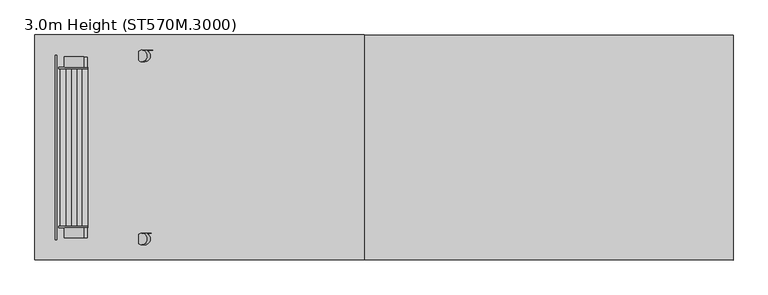
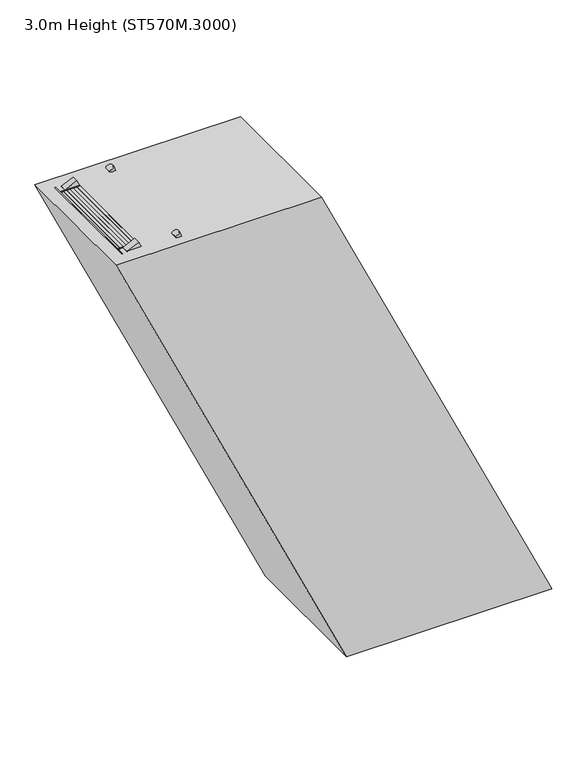
"""IFC4 building model written with IfcOpenShell, lengths in millimetres: proxy geometry, 3.0m Height (ST570M.3000)."""

import ifcopenshell
import ifcopenshell.guid

model = None  # the IFC model being written
_history = None  # IfcOwnerHistory: only IFC2X3 demands one
_inside = {}  # id of a spatial element -> (the spatial element, [elements in it])
_under = {}  # id of a project, library or spatial element -> (it, [spatial elements below it])
_declared = {}  # id of a project -> (the project, [libraries it declares])
_typed = {}  # id of a type object -> (the type object, [elements of that type])
_made_of = {}  # id of a material, layer set ... -> (it, [elements and type objects made of it])


def new_model(schema):
    """Start an empty IFC model of exactly this schema.

    Asked for "IFC4X3", IfcOpenShell would pick the latest addendum, in which some entities
    have other attributes; the version numbers below select the first issue.
    IFC2X3 requires an IfcOwnerHistory on every rooted entity: one is made here for all.
    """
    global model, _history
    if schema == "IFC4X3":
        model = ifcopenshell.file(schema_version=(4, 3, 0, 0))
    else:
        model = ifcopenshell.file(schema=schema)
    _inside.clear()
    _under.clear()
    _declared.clear()
    _typed.clear()
    _made_of.clear()
    _history = None
    if model.schema == "IFC2X3":
        org = make("IfcOrganization", Name="unknown")
        user = make(
            "IfcPersonAndOrganization",
            ThePerson=make("IfcPerson", FamilyName="unknown"),
            TheOrganization=org,
        )
        app = make(
            "IfcApplication",
            ApplicationDeveloper=org,
            Version="unknown",
            ApplicationFullName="unknown",
            ApplicationIdentifier="unknown",
        )
        _history = make(
            "IfcOwnerHistory",
            OwningUser=user,
            OwningApplication=app,
            ChangeAction="ADDED",
            CreationDate=0,
        )
    return model


def make(cls, **values):
    """One entity of the class cls with the attributes given. An attribute that is None is left unset."""
    return model.create_entity(
        cls, **{name: value for name, value in values.items() if value is not None}
    )


def rooted(cls, **values):
    """An entity with a GlobalId (a new one), such as an element, a storey or a relation."""
    return make(cls, GlobalId=ifcopenshell.guid.new(), OwnerHistory=_history, **values)


def si_unit(unit_type, name, prefix=None):
    """IfcSIUnit, for example si_unit("LENGTHUNIT", "METRE", prefix="MILLI")."""
    return make("IfcSIUnit", UnitType=unit_type, Prefix=prefix, Name=name)


def assignment(units):
    """IfcUnitAssignment: the units of a project."""
    return None if units is None else make("IfcUnitAssignment", Units=units)


def point(xyz):
    """IfcCartesianPoint."""
    return None if xyz is None else make("IfcCartesianPoint", Coordinates=xyz)


def direction(xyz):
    """IfcDirection."""
    return None if xyz is None else make("IfcDirection", DirectionRatios=xyz)


def frame(location, z_axis=None, x_axis=None):
    """IfcAxis2Placement3D, a coordinate frame: its origin and axes. An axis left out is left unset."""
    return make(
        "IfcAxis2Placement3D",
        Location=point(location),
        Axis=direction(z_axis),
        RefDirection=direction(x_axis),
    )


def frame_2d(location, x_axis=None):
    """IfcAxis2Placement2D, a coordinate frame in the plane: its origin and x axis."""
    return make(
        "IfcAxis2Placement2D", Location=point(location), RefDirection=direction(x_axis)
    )


def origin():
    """The frame at (0, 0, 0) with its axes left unset."""
    return frame((0.0, 0.0, 0.0))


def origin_with_axes():
    """The frame at (0, 0, 0) with the z axis (0, 0, 1) and the x axis (1, 0, 0) written out."""
    return frame((0.0, 0.0, 0.0), z_axis=(0.0, 0.0, 1.0), x_axis=(1.0, 0.0, 0.0))


def place(relative_to, where):
    """IfcLocalPlacement: puts the frame where relative to a parent placement (None: the world)."""
    return make(
        "IfcLocalPlacement", PlacementRelTo=relative_to, RelativePlacement=where
    )


def context(
    kind, dimensions, precision=None, world=None, true_north=None, identifier=None
):
    """IfcGeometricRepresentationContext, for example the 3D "Model" context."""
    return make(
        "IfcGeometricRepresentationContext",
        ContextIdentifier=identifier,
        ContextType=kind,
        CoordinateSpaceDimension=dimensions,
        Precision=precision,
        WorldCoordinateSystem=world,
        TrueNorth=true_north,
    )


def project(units=None, contexts=None):
    """IfcProject with its units and contexts."""
    return rooted(
        "IfcProject",
        Name="project",
        RepresentationContexts=contexts,
        UnitsInContext=assignment(units),
    )


def spatial(cls, under=None, at=None, **own):
    """A site, building, storey or space (cls), placed at a placement, below another one or the project."""
    s = rooted(cls, ObjectPlacement=at, **own)
    if under is not None:
        _under.setdefault(under.id(), (under, []))[1].append(s)
    return s


def polyline(points):
    """IfcPolyline through the points."""
    return make("IfcPolyline", Points=[point(p) for p in points])


def circle_curve(where, radius):
    """IfcCircle in the frame where."""
    return make("IfcCircle", Position=where, Radius=radius)


def trimmed(basis, trim1, trim2, sense, master):
    """IfcTrimmedCurve: the piece of a basis curve between two trims."""
    return make(
        "IfcTrimmedCurve",
        BasisCurve=basis,
        Trim1=trim1,
        Trim2=trim2,
        SenseAgreement=sense,
        MasterRepresentation=master,
    )


def segment(curve, same_sense, transition):
    """IfcCompositeCurveSegment."""
    return make(
        "IfcCompositeCurveSegment",
        Transition=transition,
        SameSense=same_sense,
        ParentCurve=curve,
    )


def composite_curve(segments, self_intersect=None):
    """IfcCompositeCurve: segments joined end to end."""
    return make("IfcCompositeCurve", Segments=segments, SelfIntersect=self_intersect)


def outline(outer, holes=None, kind="AREA"):
    """IfcArbitraryClosedProfileDef: a profile drawn as a closed curve; with holes, ...WithVoids."""
    if holes is None:
        return make("IfcArbitraryClosedProfileDef", ProfileType=kind, OuterCurve=outer)
    return make(
        "IfcArbitraryProfileDefWithVoids",
        ProfileType=kind,
        OuterCurve=outer,
        InnerCurves=holes,
    )


def extrude(swept, where, along, depth):
    """IfcExtrudedAreaSolid: the profile swept, set in the frame where, extruded along a direction by depth."""
    return make(
        "IfcExtrudedAreaSolid",
        SweptArea=swept,
        Position=where,
        ExtrudedDirection=direction(along),
        Depth=depth,
    )


def shape(context_of_items, identifier, shape_type, items):
    """IfcShapeRepresentation: the items that make up one representation, for example the "Body"."""
    return make(
        "IfcShapeRepresentation",
        ContextOfItems=context_of_items,
        RepresentationIdentifier=identifier,
        RepresentationType=shape_type,
        Items=items,
    )


def source(mapping_origin, context_of_items, identifier, shape_type, items):
    """IfcRepresentationMap: a shape defined once, which mapped items show again and again."""
    return make(
        "IfcRepresentationMap",
        MappingOrigin=mapping_origin,
        MappedRepresentation=shape(context_of_items, identifier, shape_type, items),
    )


def transform(
    local_origin,
    x_axis=None,
    y_axis=None,
    z_axis=None,
    scale=None,
    scale2=None,
    scale3=None,
    uniform=True,
):
    """IfcCartesianTransformationOperator3D, or its non-uniform kind. x_axis, y_axis, z_axis: its Axis1, 2, 3."""
    if uniform:
        return make(
            "IfcCartesianTransformationOperator3D",
            Axis1=direction(x_axis),
            Axis2=direction(y_axis),
            LocalOrigin=point(local_origin),
            Scale=scale,
            Axis3=direction(z_axis),
        )
    return make(
        "IfcCartesianTransformationOperator3DnonUniform",
        Axis1=direction(x_axis),
        Axis2=direction(y_axis),
        LocalOrigin=point(local_origin),
        Scale=scale,
        Axis3=direction(z_axis),
        Scale2=scale2,
        Scale3=scale3,
    )


def mapped(mapping_source, mapping_target):
    """IfcMappedItem: shows the shape of a source again, moved by a transform."""
    return make(
        "IfcMappedItem", MappingSource=mapping_source, MappingTarget=mapping_target
    )


def made_of(thing, what):
    """Note that an element or type object is made of a material, layer set ...; save() writes the relation."""
    if what is not None:
        _made_of.setdefault(what.id(), (what, []))[1].append(thing)
    return thing


def element(
    cls,
    number,
    at=None,
    inside=None,
    cuts=None,
    type_object=None,
    material=None,
    context=None,
    identifier="Body",
    shape_type=None,
    held_by="IfcProductDefinitionShape",
    body=None,
    shapes=None,
    **own,
):
    """One element of the class cls, such as IfcWall. Its Tag is "e" and its number.

    at: its placement. inside: the storey or other place that contains it. cuts: it is an
    opening in that element (IfcRelVoidsElement). A single representation is given by context,
    identifier, shape_type and body (its items); several are given by shapes. held_by: the class
    of the entity that holds the representations. save() writes the other relations.
    """
    e = rooted(cls, Tag="e%d" % number, ObjectPlacement=at, **own)
    if body is not None:
        shapes = [shape(context, identifier, shape_type, body)]
    if shapes is not None:
        e.Representation = make(held_by, Representations=shapes)
    if inside is not None:
        _inside.setdefault(inside.id(), (inside, []))[1].append(e)
    if cuts is not None:
        rooted(
            "IfcRelVoidsElement", RelatingBuildingElement=cuts, RelatedOpeningElement=e
        )
    if type_object is not None:
        _typed.setdefault(type_object.id(), (type_object, []))[1].append(e)
    return made_of(e, material)


def aggregate(whole, parts):
    """IfcRelAggregates: a whole, such as a stair, and the parts it consists of."""
    return rooted("IfcRelAggregates", RelatingObject=whole, RelatedObjects=parts)


def save(model, path):
    """Write the relations noted so far, then the file.

    IfcRelAggregates (storeys below a building ...), IfcRelContainedInSpatialStructure (elements
    in a storey), IfcRelDefinesByType, IfcRelAssociatesMaterial and IfcRelDeclares: one each for
    every whole, place, type object, material and project.
    """
    for whole, parts in _under.values():
        aggregate(whole, parts)
    for where, things in _inside.values():
        rooted(
            "IfcRelContainedInSpatialStructure",
            RelatedElements=things,
            RelatingStructure=where,
        )
    for kind, things in _typed.values():
        rooted("IfcRelDefinesByType", RelatedObjects=things, RelatingType=kind)
    for what, things in _made_of.values():
        rooted("IfcRelAssociatesMaterial", RelatedObjects=things, RelatingMaterial=what)
    for by, libraries in _declared.values():
        rooted("IfcRelDeclares", RelatingContext=by, RelatedDefinitions=libraries)
    model.write(path)


def proxy_3_0m_height_st570m_3000_99be719d(model_context):
    return source(origin(), model_context, "Body", "SweptSolid", [
        extrude(outline(polyline([(2750.0, -171.2610733), (2670.0, -133.9564657), (2670.0, -23.6186686), (2750.0, -60.9232813), (2750.0, -171.2610733)])), frame((0.0, 298.5, 0.0), z_axis=(0.0, 1.0, 0.0), x_axis=(0.0, 0.0, 1.0)), (0.0, 0.0, 1.0), 6.0),
        extrude(outline(polyline([(2750.0, -171.2610733), (2670.0, -133.9564657), (2670.0, -23.6186686), (2750.0, -60.9232813), (2750.0, -171.2610733)])), frame((0.0, -304.5, 0.0), z_axis=(0.0, 1.0, 0.0), x_axis=(0.0, 0.0, 1.0)), (0.0, 0.0, 1.0), 6.0),
        extrude(outline(polyline([(2750.0, -164.089117), (2712.0999991, -146.4160588), (2712.0999991, -144.209303), (2747.0, -160.4834384), (2747.0, -61.7311141), (2712.0999991, -45.4569765), (2712.0999991, -43.2502206), (2750.0, -60.9232813), (2750.0, -81.3510224), (2749.2749538, -81.689117), (2750.0, -82.0272116), (2750.0, -101.9510224), (2749.2749538, -102.289117), (2750.0, -102.6272116), (2750.0, -122.5510224), (2749.2749538, -122.889117), (2750.0, -123.2272116), (2750.0, -143.1510224), (2749.2749538, -143.489117), (2750.0, -143.8272116), (2750.0, -164.089117)])), frame((0.0, -298.5, 0.0), z_axis=(0.0, 1.0, 0.0), x_axis=(0.0, 0.0, 1.0)), (0.0, 0.0, 1.0), 597.0),
        extrude(outline(polyline([(2500.0, -54.6843546), (2420.0, -17.379747), (2420.0, 92.9580501), (2500.0, 55.6534374), (2500.0, -54.6843546)])), frame((0.0, 298.5, 0.0), z_axis=(0.0, 1.0, 0.0), x_axis=(0.0, 0.0, 1.0)), (0.0, 0.0, 1.0), 6.0),
        extrude(outline(polyline([(2500.0, -54.6843546), (2420.0, -17.379747), (2420.0, 92.9580501), (2500.0, 55.6534374), (2500.0, -54.6843546)])), frame((0.0, -304.5, 0.0), z_axis=(0.0, 1.0, 0.0), x_axis=(0.0, 0.0, 1.0)), (0.0, 0.0, 1.0), 6.0),
        extrude(outline(polyline([(2500.0, -47.5123983), (2462.0999991, -29.83934), (2462.0999991, -27.6325843), (2497.0, -43.9067197), (2497.0, 54.8456046), (2462.0999991, 71.1197422), (2462.0999991, 73.3264981), (2500.0, 55.6534374), (2500.0, 35.2256963), (2499.2749538, 34.8876017), (2500.0, 34.5495071), (2500.0, 14.6256963), (2499.2749538, 14.2876017), (2500.0, 13.9495071), (2500.0, -5.9743037), (2499.2749538, -6.3123983), (2500.0, -6.6504929), (2500.0, -26.5743037), (2499.2749538, -26.9123983), (2500.0, -27.2504929), (2500.0, -47.5123983)])), frame((0.0, -298.5, 0.0), z_axis=(0.0, 1.0, 0.0), x_axis=(0.0, 0.0, 1.0)), (0.0, 0.0, 1.0), 597.0),
        extrude(outline(polyline([(2250.0, 61.8923641), (2170.0, 99.1969717), (2170.0, 209.5347688), (2250.0, 172.2301561), (2250.0, 61.8923641)])), frame((0.0, 298.5, 0.0), z_axis=(0.0, 1.0, 0.0), x_axis=(0.0, 0.0, 1.0)), (0.0, 0.0, 1.0), 6.0),
        extrude(outline(polyline([(2250.0, 61.8923641), (2170.0, 99.1969717), (2170.0, 209.5347688), (2250.0, 172.2301561), (2250.0, 61.8923641)])), frame((0.0, -304.5, 0.0), z_axis=(0.0, 1.0, 0.0), x_axis=(0.0, 0.0, 1.0)), (0.0, 0.0, 1.0), 6.0),
        extrude(outline(polyline([(2250.0, 69.0643204), (2212.0999991, 86.7373787), (2212.0999991, 88.9441345), (2247.0, 72.669999), (2247.0, 171.4223233), (2212.0999991, 187.696461), (2212.0999991, 189.9032168), (2250.0, 172.2301561), (2250.0, 151.802415), (2249.2749538, 151.4643204), (2250.0, 151.1262259), (2250.0, 131.202415), (2249.2749538, 130.8643204), (2250.0, 130.5262259), (2250.0, 110.602415), (2249.2749538, 110.2643204), (2250.0, 109.9262259), (2250.0, 90.002415), (2249.2749538, 89.6643204), (2250.0, 89.3262259), (2250.0, 69.0643204)])), frame((0.0, -298.5, 0.0), z_axis=(0.0, 1.0, 0.0), x_axis=(0.0, 0.0, 1.0)), (0.0, 0.0, 1.0), 597.0),
        extrude(outline(polyline([(2000.0, 178.4690828), (1920.0, 215.7736904), (1920.0, 326.1114875), (2000.0, 288.8068749), (2000.0, 178.4690828)])), frame((0.0, 298.5, 0.0), z_axis=(0.0, 1.0, 0.0), x_axis=(0.0, 0.0, 1.0)), (0.0, 0.0, 1.0), 6.0),
        extrude(outline(polyline([(2000.0, 178.4690828), (1920.0, 215.7736904), (1920.0, 326.1114875), (2000.0, 288.8068749), (2000.0, 178.4690828)])), frame((0.0, -304.5, 0.0), z_axis=(0.0, 1.0, 0.0), x_axis=(0.0, 0.0, 1.0)), (0.0, 0.0, 1.0), 6.0),
        extrude(outline(polyline([(2000.0, 185.6410391), (1962.0999991, 203.3140974), (1962.0999991, 205.5208532), (1997.0, 189.2467177), (1997.0, 287.999042), (1962.0999991, 304.2731797), (1962.0999991, 306.4799355), (2000.0, 288.8068749), (2000.0, 268.3791337), (1999.2749538, 268.0410391), (2000.0, 267.7029446), (2000.0, 247.7791337), (1999.2749538, 247.4410391), (2000.0, 247.1029446), (2000.0, 227.1791337), (1999.2749538, 226.8410391), (2000.0, 226.5029446), (2000.0, 206.5791337), (1999.2749538, 206.2410391), (2000.0, 205.9029446), (2000.0, 185.6410391)])), frame((0.0, -298.5, 0.0), z_axis=(0.0, 1.0, 0.0), x_axis=(0.0, 0.0, 1.0)), (0.0, 0.0, 1.0), 597.0),
        extrude(outline(polyline([(1750.0, 295.0458016), (1670.0, 332.3504092), (1670.0, 442.6882062), (1750.0, 405.3835936), (1750.0, 295.0458016)])), frame((0.0, 298.5, 0.0), z_axis=(0.0, 1.0, 0.0), x_axis=(0.0, 0.0, 1.0)), (0.0, 0.0, 1.0), 6.0),
        extrude(outline(polyline([(1750.0, 295.0458016), (1670.0, 332.3504092), (1670.0, 442.6882062), (1750.0, 405.3835936), (1750.0, 295.0458016)])), frame((0.0, -304.5, 0.0), z_axis=(0.0, 1.0, 0.0), x_axis=(0.0, 0.0, 1.0)), (0.0, 0.0, 1.0), 6.0),
        extrude(outline(polyline([(1750.0, 302.2177579), (1712.0999991, 319.8908161), (1712.0999991, 322.0975719), (1747.0, 305.8234364), (1747.0, 404.5757607), (1712.0999991, 420.8498984), (1712.0999991, 423.0566542), (1750.0, 405.3835936), (1750.0, 384.9558524), (1749.2749538, 384.6177579), (1750.0, 384.2796633), (1750.0, 364.3558524), (1749.2749538, 364.0177579), (1750.0, 363.6796633), (1750.0, 343.7558524), (1749.2749538, 343.4177579), (1750.0, 343.0796633), (1750.0, 323.1558524), (1749.2749538, 322.8177579), (1750.0, 322.4796633), (1750.0, 302.2177579)])), frame((0.0, -298.5, 0.0), z_axis=(0.0, 1.0, 0.0), x_axis=(0.0, 0.0, 1.0)), (0.0, 0.0, 1.0), 597.0),
        extrude(outline(polyline([(1500.0, 411.6225203), (1420.0, 448.9271279), (1420.0, 559.2649249), (1500.0, 521.9603123), (1500.0, 411.6225203)])), frame((0.0, 298.5, 0.0), z_axis=(0.0, 1.0, 0.0), x_axis=(0.0, 0.0, 1.0)), (0.0, 0.0, 1.0), 6.0),
        extrude(outline(polyline([(1500.0, 411.6225203), (1420.0, 448.9271279), (1420.0, 559.2649249), (1500.0, 521.9603123), (1500.0, 411.6225203)])), frame((0.0, -304.5, 0.0), z_axis=(0.0, 1.0, 0.0), x_axis=(0.0, 0.0, 1.0)), (0.0, 0.0, 1.0), 6.0),
        extrude(outline(polyline([(1500.0, 418.7944766), (1462.0999991, 436.4675348), (1462.0999991, 438.6742906), (1497.0, 422.4001551), (1497.0, 521.1524794), (1462.0999991, 537.4266171), (1462.0999991, 539.6333729), (1500.0, 521.9603123), (1500.0, 501.5325711), (1499.2749538, 501.1944766), (1500.0, 500.856382), (1500.0, 480.9325711), (1499.2749538, 480.5944766), (1500.0, 480.256382), (1500.0, 460.3325711), (1499.2749538, 459.9944766), (1500.0, 459.656382), (1500.0, 439.7325711), (1499.2749538, 439.3944766), (1500.0, 439.056382), (1500.0, 418.7944766)])), frame((0.0, -298.5, 0.0), z_axis=(0.0, 1.0, 0.0), x_axis=(0.0, 0.0, 1.0)), (0.0, 0.0, 1.0), 597.0),
        extrude(outline(polyline([(1250.0, 528.199239), (1170.0, 565.5038466), (1170.0, 675.8416437), (1250.0, 638.537031), (1250.0, 528.199239)])), frame((0.0, 298.5, 0.0), z_axis=(0.0, 1.0, 0.0), x_axis=(0.0, 0.0, 1.0)), (0.0, 0.0, 1.0), 6.0),
        extrude(outline(polyline([(1250.0, 528.199239), (1170.0, 565.5038466), (1170.0, 675.8416437), (1250.0, 638.537031), (1250.0, 528.199239)])), frame((0.0, -304.5, 0.0), z_axis=(0.0, 1.0, 0.0), x_axis=(0.0, 0.0, 1.0)), (0.0, 0.0, 1.0), 6.0),
        extrude(outline(polyline([(1250.0, 535.3711953), (1212.0999991, 553.0442535), (1212.0999991, 555.2510093), (1247.0, 538.9768739), (1247.0, 637.7291981), (1212.0999991, 654.0033358), (1212.0999991, 656.2100917), (1250.0, 638.537031), (1250.0, 618.1092899), (1249.2749538, 617.7711953), (1250.0, 617.4331007), (1250.0, 597.5092899), (1249.2749538, 597.1711953), (1250.0, 596.8331007), (1250.0, 576.9092899), (1249.2749538, 576.5711953), (1250.0, 576.2331007), (1250.0, 556.3092899), (1249.2749538, 555.9711953), (1250.0, 555.6331007), (1250.0, 535.3711953)])), frame((0.0, -298.5, 0.0), z_axis=(0.0, 1.0, 0.0), x_axis=(0.0, 0.0, 1.0)), (0.0, 0.0, 1.0), 597.0),
        extrude(outline(polyline([(1000.0, 644.7759577), (920.0, 682.0805653), (920.0, 792.4183624), (1000.0, 755.1137497), (1000.0, 644.7759577)])), frame((0.0, 298.5, 0.0), z_axis=(0.0, 1.0, 0.0), x_axis=(0.0, 0.0, 1.0)), (0.0, 0.0, 1.0), 6.0),
        extrude(outline(polyline([(1000.0, 644.7759577), (920.0, 682.0805653), (920.0, 792.4183624), (1000.0, 755.1137497), (1000.0, 644.7759577)])), frame((0.0, -304.5, 0.0), z_axis=(0.0, 1.0, 0.0), x_axis=(0.0, 0.0, 1.0)), (0.0, 0.0, 1.0), 6.0),
        extrude(outline(polyline([(1000.0, 651.947914), (962.0999991, 669.6209723), (962.0999991, 671.827728), (997.0, 655.5535926), (997.0, 754.3059169), (962.0999991, 770.5800545), (962.0999991, 772.7868104), (1000.0, 755.1137497), (1000.0, 734.6860086), (999.2749538, 734.347914), (1000.0, 734.0098194), (1000.0, 714.0860086), (999.2749538, 713.747914), (1000.0, 713.4098194), (1000.0, 693.4860086), (999.2749538, 693.147914), (1000.0, 692.8098194), (1000.0, 672.8860086), (999.2749538, 672.547914), (1000.0, 672.2098194), (1000.0, 651.947914)])), frame((0.0, -298.5, 0.0), z_axis=(0.0, 1.0, 0.0), x_axis=(0.0, 0.0, 1.0)), (0.0, 0.0, 1.0), 597.0),
        extrude(outline(polyline([(750.0, 761.3526764), (670.0, 798.657284), (670.0, 908.9950811), (750.0, 871.6904684), (750.0, 761.3526764)])), frame((0.0, 298.5, 0.0), z_axis=(0.0, 1.0, 0.0), x_axis=(0.0, 0.0, 1.0)), (0.0, 0.0, 1.0), 6.0),
        extrude(outline(polyline([(750.0, 761.3526764), (670.0, 798.657284), (670.0, 908.9950811), (750.0, 871.6904684), (750.0, 761.3526764)])), frame((0.0, -304.5, 0.0), z_axis=(0.0, 1.0, 0.0), x_axis=(0.0, 0.0, 1.0)), (0.0, 0.0, 1.0), 6.0),
        extrude(outline(polyline([(750.0, 768.5246327), (712.0999991, 786.197691), (712.0999991, 788.4044468), (747.0, 772.1303113), (747.0, 870.8826356), (712.0999991, 887.1567732), (712.0999991, 889.3635291), (750.0, 871.6904684), (750.0, 851.2627273), (749.2749538, 850.9246327), (750.0, 850.5865381), (750.0, 830.6627273), (749.2749538, 830.3246327), (750.0, 829.9865381), (750.0, 810.0627273), (749.2749538, 809.7246327), (750.0, 809.3865381), (750.0, 789.4627273), (749.2749538, 789.1246327), (750.0, 788.7865381), (750.0, 768.5246327)])), frame((0.0, -298.5, 0.0), z_axis=(0.0, 1.0, 0.0), x_axis=(0.0, 0.0, 1.0)), (0.0, 0.0, 1.0), 597.0),
        extrude(outline(polyline([(500.0, 877.9293951), (420.0, 915.2340027), (420.0, 1025.5717998), (500.0, 988.2671872), (500.0, 877.9293951)])), frame((0.0, 298.5, 0.0), z_axis=(0.0, 1.0, 0.0), x_axis=(0.0, 0.0, 1.0)), (0.0, 0.0, 1.0), 6.0),
        extrude(outline(polyline([(500.0, 877.9293951), (420.0, 915.2340027), (420.0, 1025.5717998), (500.0, 988.2671872), (500.0, 877.9293951)])), frame((0.0, -304.5, 0.0), z_axis=(0.0, 1.0, 0.0), x_axis=(0.0, 0.0, 1.0)), (0.0, 0.0, 1.0), 6.0),
        extrude(outline(polyline([(500.0, 885.1013514), (462.0999991, 902.7744097), (462.0999991, 904.9811655), (497.0, 888.70703), (497.0, 987.4593543), (462.0999991, 1003.733492), (462.0999991, 1005.9402478), (500.0, 988.2671872), (500.0, 967.839446), (499.2749538, 967.5013514), (500.0, 967.1632569), (500.0, 947.239446), (499.2749538, 946.9013514), (500.0, 946.5632569), (500.0, 926.639446), (499.2749538, 926.3013514), (500.0, 925.9632569), (500.0, 906.039446), (499.2749538, 905.7013514), (500.0, 905.3632569), (500.0, 885.1013514)])), frame((0.0, -298.5, 0.0), z_axis=(0.0, 1.0, 0.0), x_axis=(0.0, 0.0, 1.0)), (0.0, 0.0, 1.0), 597.0),
        extrude(outline(polyline([(177.7625955, 296.0), (183.7625955, 296.0), (183.7625955, 246.0), (177.7625955, 246.0), (177.7625955, 296.0)])), frame((0.0, 0.0, 1937.9937046), z_axis=(0.0, 0.0, 1.0), x_axis=(1.0, 0.0, 0.0)), (0.0, 0.0, 1.0), 120.0),
        extrude(outline(polyline([(1999.9937046, 288.8084397), (2057.9937046, 261.7625955), (2057.9937046, 183.7625955), (1999.9937046, 183.7625955), (1999.9937046, 288.8084397)])), frame((0.0, 252.0, 0.0), z_axis=(0.0, 1.0, 0.0), x_axis=(0.0, 0.0, 1.0)), (0.0, 0.0, 1.0), 38.0),
        extrude(outline(polyline([(183.7625955, -296.0), (177.7625955, -296.0), (177.7625955, -246.0), (183.7625955, -246.0), (183.7625955, -296.0)])), frame((0.0, 0.0, 1937.9937046), z_axis=(0.0, 0.0, 1.0), x_axis=(1.0, 0.0, 0.0)), (0.0, 0.0, 1.0), 120.0),
        extrude(outline(polyline([(1999.9937046, 288.8084397), (2057.9937046, 261.7625955), (2057.9937046, 183.7625955), (1999.9937046, 183.7625955), (1999.9937046, 288.8084397)])), frame((0.0, -290.0, 0.0), z_axis=(0.0, 1.0, 0.0), x_axis=(0.0, 0.0, 1.0)), (0.0, 0.0, 1.0), 38.0),
        extrude(outline(polyline([(0.0, -590.0), (0.0, 0.0), (2.0, 0.0), (2.0, -590.0), (0.0, -590.0)])), frame((1242.566722, -295.0, 49.300531), z_axis=(-0.4226182617407096, 0.0, 0.9063077870366453), x_axis=(-0.9063077870366453, 0.0, -0.4226182617407096)), (0.0, 0.0, 1.0), 2240.0),
        extrude(outline(polyline([(2250.0, 0.0), (2250.0, -600.0), (0.0, -600.0), (0.0, 0.0), (2250.0, 0.0)]), holes=[polyline([(1096.0, -58.0), (58.0, -58.0), (58.0, -542.0), (1096.0, -542.0), (1096.0, -58.0)]), polyline([(1154.0, -542.0), (2192.0, -542.0), (2192.0, -58.0), (1154.0, -58.0), (1154.0, -542.0)])]), frame((257.5364129, 300.0, 2067.0567824), z_axis=(0.9063077870366453, 0.0, 0.4226182617407096), x_axis=(0.4226182617407096, 0.0, -0.9063077870366453)), (0.0, 0.0, 1.0), 38.0),
        extrude(outline(polyline([(0.0, 0.0), (80.0, 0.0), (80.0, -6.0), (6.0, -6.0), (6.0, -50.0), (0.0, -50.0), (0.0, 0.0)])), frame((1140.80858, 343.0, 172.8735075), z_axis=(-0.4226182617407096, 0.0, 0.9063077870366453), x_axis=(-0.9063077870366453, 0.0, -0.4226182617407096)), (0.0, 0.0, 1.0), 50.0),
        extrude(outline(polyline([(0.0, 686.0), (0.0, 736.0), (6.0, 736.0), (6.0, 692.0), (80.0, 692.0), (80.0, 686.0), (0.0, 686.0)])), frame((1140.80858, 343.0, 172.8735075), z_axis=(-0.4226182617407096, 0.0, 0.9063077870366453), x_axis=(-0.9063077870366453, 0.0, -0.4226182617407096)), (0.0, 0.0, 1.0), 50.0),
        extrude(outline(polyline([(-100.0, 0.0), (0.0, 0.0), (0.0, -50.0), (-6.0, -50.0), (-6.0, -6.0), (-100.0, -6.0), (-100.0, 0.0)])), frame((1140.80858, -300.0, 172.8735075), z_axis=(-0.4226182617407096, 0.0, 0.9063077870366453), x_axis=(0.0, 1.0, 0.0)), (0.0, 0.0, 1.0), 50.0),
        extrude(outline(polyline([(700.0, 0.0), (700.0, -6.0), (606.0, -6.0), (606.0, -50.0), (600.0, -50.0), (600.0, 0.0), (700.0, 0.0)])), frame((1140.80858, -300.0, 172.8735075), z_axis=(-0.4226182617407096, 0.0, 0.9063077870366453), x_axis=(0.0, 1.0, 0.0)), (0.0, 0.0, 1.0), 50.0),
        extrude(outline(polyline([(1117.384258, 744.5111006), (1131.778934, 790.760893), (1037.5229241, 834.7131923), (1011.3462469, 793.9574372), (988.6885523, 804.5228937), (992.9147349, 813.5859716), (1007.4156595, 806.8240794), (1033.5923367, 847.5798345), (1144.1618867, 796.0204065), (1129.7672107, 749.7706141), (1144.2681353, 743.0087219), (1140.0419527, 733.945644), (1117.384258, 744.5111006)])), frame((0.0, 201.0, 0.0), z_axis=(0.0, 1.0, 0.0), x_axis=(0.0, 0.0, 1.0)), (0.0, 0.0, 1.0), 44.0),
        extrude(outline(polyline([(1117.384258, 744.5111006), (1131.778934, 790.760893), (1037.5229241, 834.7131923), (1011.3462469, 793.9574372), (988.6885523, 804.5228937), (992.9147349, 813.5859716), (1007.4156595, 806.8240794), (1033.5923367, 847.5798345), (1144.1618867, 796.0204065), (1129.7672107, 749.7706141), (1144.2681353, 743.0087219), (1140.0419527, 733.945644), (1117.384258, 744.5111006)])), frame((0.0, -245.0, 0.0), z_axis=(0.0, 1.0, 0.0), x_axis=(0.0, 0.0, 1.0)), (0.0, 0.0, 1.0), 44.0),
        extrude(outline(polyline([(0.0, -32.0), (0.0, 0.0), (3.0, 0.0), (3.0, -32.0), (0.0, -32.0)])), frame((927.95516, 331.0, 1054.0723238), z_axis=(-0.4226182617407096, 0.0, 0.9063077870366453), x_axis=(-0.9063077870366453, 0.0, -0.4226182617407096)), (0.0, 0.0, 1.0), 140.0),
        extrude(outline(polyline([(0.0, -32.0), (0.0, 0.0), (3.0, 0.0), (3.0, -32.0), (0.0, -32.0)])), frame((100.4261443, 331.0, 2828.7140249), z_axis=(-0.4226182617407096, 0.0, 0.9063077870366453), x_axis=(-0.9063077870366453, 0.0, -0.4226182617407096)), (0.0, 0.0, 1.0), 140.0),
        extrude(outline(composite_curve([segment(polyline([(1079.9937026, 912.5576888), (1152.4983256, 878.7482279), (1048.1116149, 654.8902045)]), True, "CONTINUOUS"), segment(trimmed(circle_curve(frame_2d((1042.6737682, 657.4259141)), 6.0), [point((1048.1116149, 654.8902045))], [point((1040.1380586, 651.9880673))], False, "CARTESIAN"), True, "CONTINUOUS"), segment(polyline([(1040.1380586, 651.9880673), (978.5091291, 680.7261091)]), True, "CONTINUOUS"), segment(trimmed(circle_curve(frame_2d((981.0448387, 686.1639559)), 6.0), [point((978.5091291, 680.7261091))], [point((975.606992, 688.6996654))], False, "CARTESIAN"), True, "CONTINUOUS"), segment(polyline([(975.606992, 688.6996654), (1079.9937026, 912.5576888)]), True, "CONTINUOUS")], self_intersect=False)), frame((0.0, 344.0, 0.0), z_axis=(0.0, 1.0, 0.0), x_axis=(0.0, 0.0, 1.0)), (0.0, 0.0, 1.0), 6.0),
        extrude(outline(composite_curve([segment(polyline([(2854.6354038, 85.0286731), (2927.1400267, 51.2192122), (2822.7533161, -172.6388112)]), True, "CONTINUOUS"), segment(trimmed(circle_curve(frame_2d((2817.3154694, -170.1031017)), 6.0), [point((2822.7533161, -172.6388112))], [point((2814.7797598, -175.5409484))], False, "CARTESIAN"), True, "CONTINUOUS"), segment(polyline([(2814.7797598, -175.5409484), (2753.1508303, -146.8029066)]), True, "CONTINUOUS"), segment(trimmed(circle_curve(frame_2d((2755.6865398, -141.3650599)), 6.0), [point((2753.1508303, -146.8029066))], [point((2750.2486931, -138.8293503))], False, "CARTESIAN"), True, "CONTINUOUS"), segment(polyline([(2750.2486931, -138.8293503), (2854.6354038, 85.0286731)]), True, "CONTINUOUS")], self_intersect=False)), frame((0.0, 344.0, 0.0), z_axis=(0.0, 1.0, 0.0), x_axis=(0.0, 0.0, 1.0)), (0.0, 0.0, 1.0), 6.0),
        extrude(outline(composite_curve([segment(trimmed(circle_curve(frame_2d((0.0, 14.1894041)), 22.4521533), [point((-17.4, 0.0))], [point((17.4, 0.0))], False, "CARTESIAN"), True, "CONTINUOUS"), segment(polyline([(17.4, 0.0), (-17.4, 0.0)]), True, "CONTINUOUS")], self_intersect=False)), frame((999.8002645, 347.0, 900.0), z_axis=(-0.4226182617407096, 0.0, 0.9063077870366453), x_axis=(0.0, -1.0, 0.0)), (0.0, 0.0, 1.0), 2328.1004671),
        extrude(outline(polyline([(0.0, -32.0), (0.0, 0.0), (3.0, 0.0), (3.0, -32.0), (0.0, -32.0)])), frame((927.95516, -363.0, 1054.0723238), z_axis=(-0.4226182617407096, 0.0, 0.9063077870366453), x_axis=(-0.9063077870366453, 0.0, -0.4226182617407096)), (0.0, 0.0, 1.0), 140.0),
        extrude(outline(polyline([(0.0, -32.0), (0.0, 0.0), (3.0, 0.0), (3.0, -32.0), (0.0, -32.0)])), frame((100.4261443, -363.0, 2828.7140249), z_axis=(-0.4226182617407096, 0.0, 0.9063077870366453), x_axis=(-0.9063077870366453, 0.0, -0.4226182617407096)), (0.0, 0.0, 1.0), 140.0),
        extrude(outline(composite_curve([segment(polyline([(1079.9937026, 912.5576888), (1152.4983256, 878.7482279), (1048.1116149, 654.8902045)]), True, "CONTINUOUS"), segment(trimmed(circle_curve(frame_2d((1042.6737682, 657.4259141)), 6.0), [point((1048.1116149, 654.8902045))], [point((1040.1380586, 651.9880673))], False, "CARTESIAN"), True, "CONTINUOUS"), segment(polyline([(1040.1380586, 651.9880673), (978.5091291, 680.7261091)]), True, "CONTINUOUS"), segment(trimmed(circle_curve(frame_2d((981.0448387, 686.1639559)), 6.0), [point((978.5091291, 680.7261091))], [point((975.606992, 688.6996654))], False, "CARTESIAN"), True, "CONTINUOUS"), segment(polyline([(975.606992, 688.6996654), (1079.9937026, 912.5576888)]), True, "CONTINUOUS")], self_intersect=False)), frame((0.0, -350.0, 0.0), z_axis=(0.0, 1.0, 0.0), x_axis=(0.0, 0.0, 1.0)), (0.0, 0.0, 1.0), 6.0),
        extrude(outline(composite_curve([segment(polyline([(2854.6354038, 85.0286731), (2927.1400267, 51.2192122), (2822.7533161, -172.6388112)]), True, "CONTINUOUS"), segment(trimmed(circle_curve(frame_2d((2817.3154694, -170.1031017)), 6.0), [point((2822.7533161, -172.6388112))], [point((2814.7797598, -175.5409484))], False, "CARTESIAN"), True, "CONTINUOUS"), segment(polyline([(2814.7797598, -175.5409484), (2753.1508303, -146.8029066)]), True, "CONTINUOUS"), segment(trimmed(circle_curve(frame_2d((2755.6865398, -141.3650599)), 6.0), [point((2753.1508303, -146.8029066))], [point((2750.2486931, -138.8293503))], False, "CARTESIAN"), True, "CONTINUOUS"), segment(polyline([(2750.2486931, -138.8293503), (2854.6354038, 85.0286731)]), True, "CONTINUOUS")], self_intersect=False)), frame((0.0, -350.0, 0.0), z_axis=(0.0, 1.0, 0.0), x_axis=(0.0, 0.0, 1.0)), (0.0, 0.0, 1.0), 6.0),
        extrude(outline(composite_curve([segment(trimmed(circle_curve(frame_2d((0.0, 14.1894041)), 22.4521533), [point((-17.4, 0.0))], [point((17.4, 0.0))], False, "CARTESIAN"), True, "CONTINUOUS"), segment(polyline([(17.4, 0.0), (-17.4, 0.0)]), True, "CONTINUOUS")], self_intersect=False)), frame((999.8002645, -347.0, 900.0), z_axis=(-0.4226182617407096, 0.0, 0.9063077870366453), x_axis=(0.0, -1.0, 0.0)), (0.0, 0.0, 1.0), 2328.1004671),
        extrude(outline(polyline([(3000.0, -287.837792), (2920.0, -250.5331844), (2920.0, -140.1953873), (3000.0, -177.5), (3000.0, -287.837792)])), frame((0.0, 298.5, 0.0), z_axis=(0.0, 1.0, 0.0), x_axis=(0.0, 0.0, 1.0)), (0.0, 0.0, 1.0), 6.0),
        extrude(outline(polyline([(3000.0, -287.837792), (2920.0, -250.5331844), (2920.0, -140.1953873), (3000.0, -177.5), (3000.0, -287.837792)])), frame((0.0, -304.5, 0.0), z_axis=(0.0, 1.0, 0.0), x_axis=(0.0, 0.0, 1.0)), (0.0, 0.0, 1.0), 6.0),
        extrude(outline(polyline([(3000.0, -280.6658357), (2962.0999991, -262.9927775), (2962.0999991, -260.7860217), (2997.0, -277.0601572), (2997.0, -178.3078329), (2962.0999991, -162.0336952), (2962.0999991, -159.8269394), (3000.0, -177.5), (3000.0, -197.9277412), (2999.2749538, -198.2658357), (3000.0, -198.6039303), (3000.0, -218.5277412), (2999.2749538, -218.8658357), (3000.0, -219.2039303), (3000.0, -239.1277412), (2999.2749538, -239.4658357), (3000.0, -239.8039303), (3000.0, -259.7277412), (2999.2749538, -260.0658357), (3000.0, -260.4039303), (3000.0, -280.6658357)])), frame((0.0, -298.5, 0.0), z_axis=(0.0, 1.0, 0.0), x_axis=(0.0, 0.0, 1.0)), (0.0, 0.0, 1.0), 597.0),
        extrude(outline(polyline([(250.0, 994.5061139), (170.0, 1031.8107215), (170.0, 1142.1485185), (250.0, 1104.8439059), (250.0, 994.5061139)])), frame((0.0, 298.5, 0.0), z_axis=(0.0, 1.0, 0.0), x_axis=(0.0, 0.0, 1.0)), (0.0, 0.0, 1.0), 6.0),
        extrude(outline(polyline([(250.0, 994.5061139), (170.0, 1031.8107215), (170.0, 1142.1485185), (250.0, 1104.8439059), (250.0, 994.5061139)])), frame((0.0, -304.5, 0.0), z_axis=(0.0, 1.0, 0.0), x_axis=(0.0, 0.0, 1.0)), (0.0, 0.0, 1.0), 6.0),
        extrude(outline(polyline([(250.0, 1001.6780702), (212.0999991, 1019.3511284), (212.0999991, 1021.5578842), (247.0, 1005.2837487), (247.0, 1104.036073), (212.0999991, 1120.3102107), (212.0999991, 1122.5169665), (250.0, 1104.8439059), (250.0, 1084.4161647), (249.2749538, 1084.0780702), (250.0, 1083.7399756), (250.0, 1063.8161647), (249.2749538, 1063.4780702), (250.0, 1063.1399756), (250.0, 1043.2161647), (249.2749538, 1042.8780702), (250.0, 1042.5399756), (250.0, 1022.6161647), (249.2749538, 1022.2780702), (250.0, 1021.9399756), (250.0, 1001.6780702)])), frame((0.0, -298.5, 0.0), z_axis=(0.0, 1.0, 0.0), x_axis=(0.0, 0.0, 1.0)), (0.0, 0.0, 1.0), 597.0),
        extrude(outline(polyline([(2986.0, -170.9738468), (2986.0, -294.0), (2906.0, -294.0), (2906.0, -133.6692342), (2986.0, -170.9738468)])), frame((0.0, 344.0, 0.0), z_axis=(0.0, 1.0, 0.0), x_axis=(0.0, 0.0, 1.0)), (0.0, 0.0, 1.0), 6.0),
        extrude(outline(polyline([(2986.0, -170.9738468), (2986.0, -294.0), (2906.0, -294.0), (2906.0, -133.6692342), (2986.0, -170.9738468)])), frame((0.0, -350.0, 0.0), z_axis=(0.0, 1.0, 0.0), x_axis=(0.0, 0.0, 1.0)), (0.0, 0.0, 1.0), 6.0),
        extrude(outline(polyline([(3000.0, -294.0), (3000.0, -300.0), (2900.0, -300.0), (2900.0, -250.0), (2906.0, -250.0), (2906.0, -294.0), (3000.0, -294.0)])), frame((0.0, -350.0, 0.0), z_axis=(0.0, 1.0, 0.0), x_axis=(0.0, 0.0, 1.0)), (0.0, 0.0, 1.0), 700.0),
        extrude(outline(polyline([(-304.5, 80.0), (-304.5, 0.0), (-343.0, 0.0), (-343.0, 80.0), (-304.5, 80.0)])), frame((1130.3527409, 0.0, 6.0), z_axis=(-0.42261826174069766, 0.0, 0.9063077870366508), x_axis=(0.0, -1.0, 0.0)), (0.0, 0.0, 1.0), 3303.5134894),
        extrude(outline(polyline([(343.0, 80.0), (343.0, 0.0), (304.5, 0.0), (304.5, 80.0), (343.0, 80.0)])), frame((1130.3527409, 0.0, 6.0), z_axis=(-0.42261826174069766, 0.0, 0.9063077870366508), x_axis=(0.0, -1.0, 0.0)), (0.0, 0.0, 1.0), 3303.5134894),
        extrude(outline(polyline([(141.9461681, 1155.2302352), (108.1367071, 1082.7256122), (6.0, 1130.3527409), (6.0, 1218.6229745), (141.9461681, 1155.2302352)])), frame((0.0, 344.0, 0.0), z_axis=(0.0, 1.0, 0.0), x_axis=(0.0, 0.0, 1.0)), (0.0, 0.0, 1.0), 6.0),
        extrude(outline(polyline([(141.9461681, 1155.2302352), (108.1367071, 1082.7256122), (6.0, 1130.3527409), (6.0, 1218.6229745), (141.9461681, 1155.2302352)])), frame((0.0, -350.0, 0.0), z_axis=(0.0, 1.0, 0.0), x_axis=(0.0, 0.0, 1.0)), (0.0, 0.0, 1.0), 6.0),
        extrude(outline(polyline([(1224.5229745, 358.0), (1224.5229745, -358.0), (1124.5229745, -358.0), (1124.5229745, 358.0), (1224.5229745, 358.0)])), origin_with_axes(), (0.0, 0.0, 1.0), 6.0),
        extrude(outline(polyline([(3000.0, -377.5004787), (0.0, 1021.4224958), (0.0, 2269.6298434), (3000.0, 870.706869), (3000.0, -377.5004787)])), frame((0.0, -426.5, 0.0), z_axis=(0.0, 1.0, 0.0), x_axis=(0.0, 0.0, 1.0)), (0.0, 0.0, 1.0), 853.0),
    ])


if __name__ == "__main__":
    model = new_model("IFC4")
    model_context = context("Model", 3, world=origin())
    ifc_project = project(units=[si_unit("LENGTHUNIT", "METRE", prefix="MILLI")], contexts=[model_context])
    site = spatial("IfcSite", under=ifc_project)
    building = spatial("IfcBuilding", under=site)
    placement = place(None, origin())
    proxy_3_0m_height_st570m_3000_shape = proxy_3_0m_height_st570m_3000_99be719d(model_context)
    element("IfcBuildingElementProxy", 1, Name="3.0m Height (ST570M.3000)", ObjectType="3.0m Height (ST570M.3000)", at=placement, inside=building, context=model_context, shape_type="MappedRepresentation", body=[
        mapped(proxy_3_0m_height_st570m_3000_shape, transform((0.0, 0.0, 0.0), x_axis=(1.0, 0.0, 0.0), y_axis=(0.0, 1.0, 0.0), z_axis=(0.0, 0.0, 1.0))),
    ])
    save(model, "model.ifc")
